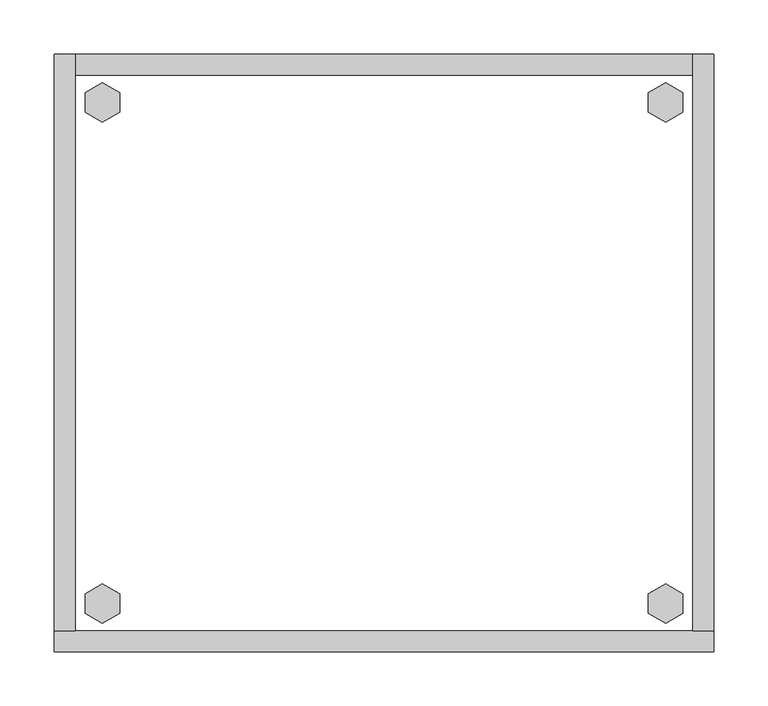
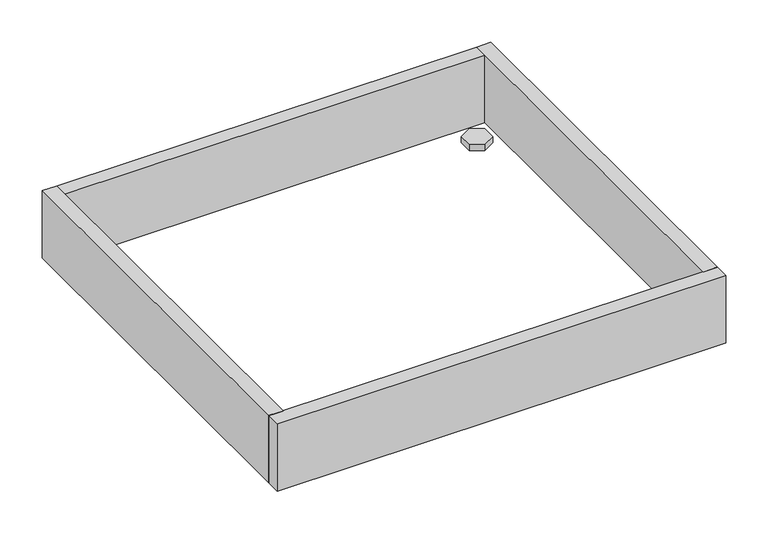
"""IFC4 building model written with IfcOpenShell, lengths in millimetres: furniture geometry."""

from ifc_helpers import new_model, si_unit, frame, origin, origin_with_axes, place, context, project, spatial, polyline, outline, extrude, source, transform, mapped, element, save


def furniture_40b373b2(model_context):
    return source(origin(), model_context, "Body", "SweptSolid", [
        extrude(outline(polyline([(548.9735422, -498.8179), (564.9214, -489.6104), (580.8692578, -498.8179), (580.8692578, -517.2329), (564.9214, -526.4404), (548.9735422, -517.2329), (548.9735422, -498.8179)])), origin_with_axes(), (0.0, 0.0, 1.0), 9.144),
        extrude(outline(polyline([(548.9735422, -35.4711), (564.9214, -26.2636), (580.8692578, -35.4711), (580.8692578, -53.8861), (564.9214, -63.0936), (548.9735422, -53.8861), (548.9735422, -35.4711)])), origin_with_axes(), (0.0, 0.0, 1.0), 9.144),
        extrude(outline(polyline([(28.7307422, -498.8179), (44.6786, -489.6104), (60.6264578, -498.8179), (60.6264578, -517.2329), (44.6786, -526.4404), (28.7307422, -517.2329), (28.7307422, -498.8179)])), origin_with_axes(), (0.0, 0.0, 1.0), 9.144),
        extrude(outline(polyline([(28.7307422, -35.4711), (44.6786, -26.2636), (60.6264578, -35.4711), (60.6264578, -53.8861), (44.6786, -63.0936), (28.7307422, -53.8861), (28.7307422, -35.4711)])), origin_with_axes(), (0.0, 0.0, 1.0), 9.144),
        extrude(outline(polyline([(19.304, 0.0), (19.304, -533.4), (0.0, -533.4), (0.0, 0.0), (19.304, 0.0)])), frame((0.0, 0.0, 4.699), z_axis=(0.0, 0.0, 1.0), x_axis=(1.0, 0.0, 0.0)), (0.0, 0.0, 1.0), 96.901),
        extrude(outline(polyline([(609.6, 0.0), (609.6, -533.4), (590.296, -533.4), (590.296, 0.0), (609.6, 0.0)])), frame((0.0, 0.0, 4.699), z_axis=(0.0, 0.0, 1.0), x_axis=(1.0, 0.0, 0.0)), (0.0, 0.0, 1.0), 96.901),
        extrude(outline(polyline([(590.296, -19.304), (19.304, -19.304), (19.304, 0.0), (590.296, 0.0), (590.296, -19.304)])), frame((0.0, 0.0, 4.699), z_axis=(0.0, 0.0, 1.0), x_axis=(1.0, 0.0, 0.0)), (0.0, 0.0, 1.0), 96.901),
        extrude(outline(polyline([(609.6, -533.4), (609.6, -552.704), (0.0, -552.704), (0.0, -533.4), (609.6, -533.4)])), frame((0.0, 0.0, 4.699), z_axis=(0.0, 0.0, 1.0), x_axis=(1.0, 0.0, 0.0)), (0.0, 0.0, 1.0), 96.901),
    ])


if __name__ == "__main__":
    model = new_model("IFC4")
    model_context = context("Model", 3, world=origin())
    ifc_project = project(units=[si_unit("LENGTHUNIT", "METRE", prefix="MILLI")], contexts=[model_context])
    site = spatial("IfcSite", under=ifc_project)
    building = spatial("IfcBuilding", under=site)
    placement = place(None, origin())
    furniture_shape = furniture_40b373b2(model_context)
    element("IfcFurniture", 1, at=placement, inside=building, context=model_context, shape_type="MappedRepresentation", body=[
        mapped(furniture_shape, transform((0.0, 0.0, 0.0), x_axis=(1.0, 0.0, 0.0), y_axis=(0.0, 1.0, 0.0), z_axis=(0.0, 0.0, 1.0))),
    ])
    save(model, "model.ifc")
